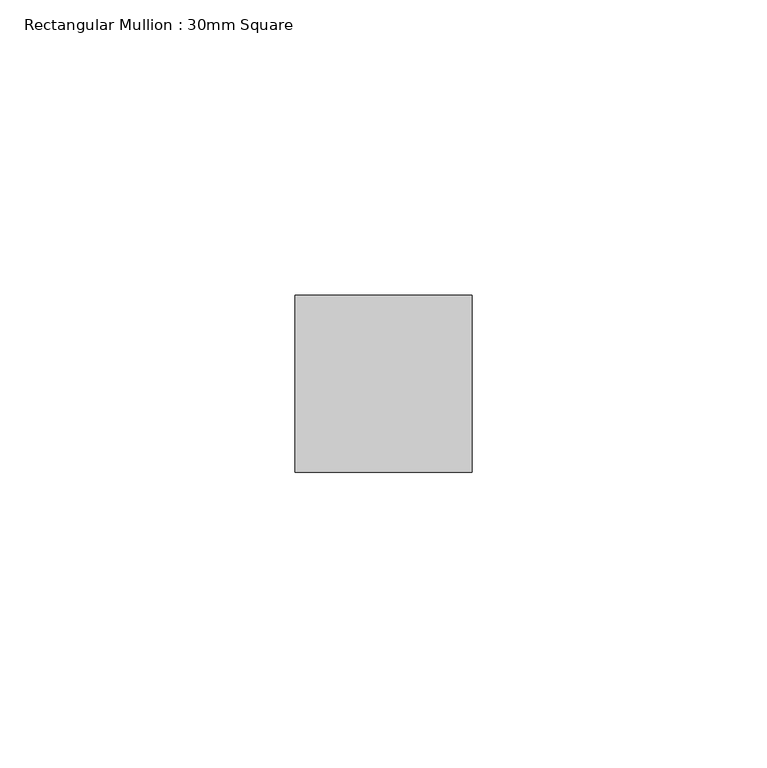
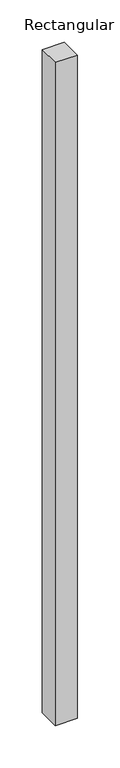
"""IFC4 building model written with IfcOpenShell, lengths in millimetres: member geometry, Rectangular Mullion : 30mm Square."""

from ifc_helpers import new_model, si_unit, frame, origin, place, context, project, spatial, polyline, outline, extrude, source, transform, mapped, element, save


def rectangular_mullion_30mm_square_20a27f80(model_context):
    return source(origin(), model_context, "Body", "SweptSolid", [
        extrude(outline(polyline([(0.0, 15.0), (0.0, -15.0), (-30.0, -15.0), (-30.0, 15.0), (0.0, 15.0)])), frame((0.0, 0.0, -954.445556), z_axis=(0.0, 0.0, 1.0), x_axis=(1.0, 0.0, 0.0)), (0.0, 0.0, 1.0), 954.445556),
    ])


if __name__ == "__main__":
    model = new_model("IFC4")
    model_context = context("Model", 3, world=origin())
    ifc_project = project(units=[si_unit("LENGTHUNIT", "METRE", prefix="MILLI")], contexts=[model_context])
    site = spatial("IfcSite", under=ifc_project)
    building = spatial("IfcBuilding", under=site)
    placement = place(None, origin())
    rectangular_mullion_30mm_square_shape = rectangular_mullion_30mm_square_20a27f80(model_context)
    element("IfcMember", 1, ObjectType="Rectangular Mullion : 30mm Square", at=placement, inside=building, context=model_context, shape_type="MappedRepresentation", body=[
        mapped(rectangular_mullion_30mm_square_shape, transform((0.0, 0.0, 0.0), x_axis=(1.0, 0.0, 0.0), y_axis=(0.0, 1.0, 0.0), z_axis=(0.0, 0.0, 1.0))),
    ])
    save(model, "model.ifc")
